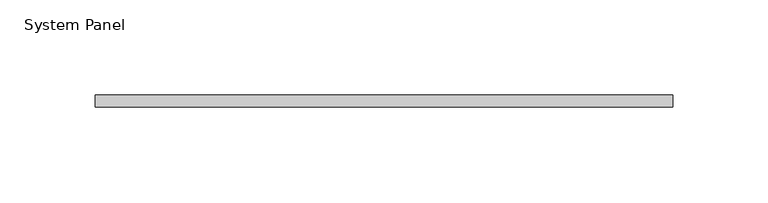
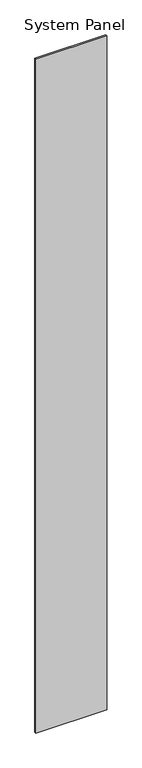
"""IFC4 building model written with IfcOpenShell, lengths in millimetres: plate geometry, System Panel."""

from ifc_helpers import new_model, si_unit, origin, origin_with_axes, place, context, project, spatial, polyline, outline, extrude, source, transform, mapped, element, save


def system_panel_70fad32e(model_context):
    return source(origin(), model_context, "Body", "SweptSolid", [
        extrude(outline(polyline([(151.7644446, 0.0), (-151.7644446, 0.0), (-151.7644446, 6.35), (151.7644446, 6.35), (151.7644446, 0.0)])), origin_with_axes(), (0.0, 0.0, 1.0), 3048.0),
    ])


if __name__ == "__main__":
    model = new_model("IFC4")
    model_context = context("Model", 3, world=origin())
    ifc_project = project(units=[si_unit("LENGTHUNIT", "METRE", prefix="MILLI")], contexts=[model_context])
    site = spatial("IfcSite", under=ifc_project)
    building = spatial("IfcBuilding", under=site)
    placement = place(None, origin())
    system_panel_shape = system_panel_70fad32e(model_context)
    element("IfcPlate", 1, ObjectType="System Panel", at=placement, inside=building, context=model_context, shape_type="MappedRepresentation", body=[
        mapped(system_panel_shape, transform((0.0, 0.0, 0.0), x_axis=(1.0, 0.0, 0.0), y_axis=(0.0, 1.0, 0.0), z_axis=(0.0, 0.0, 1.0))),
    ])
    save(model, "model.ifc")
